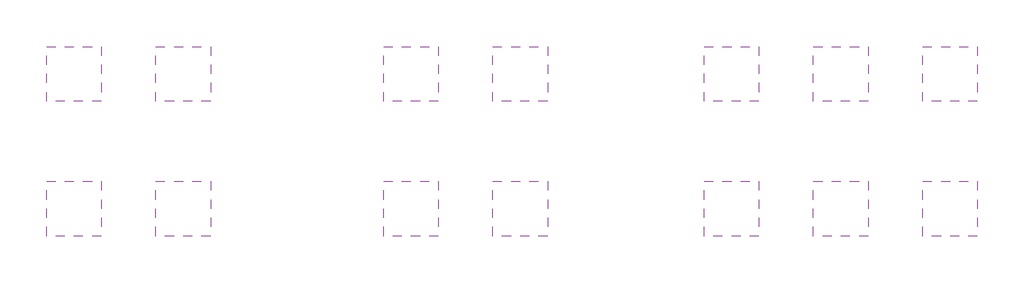
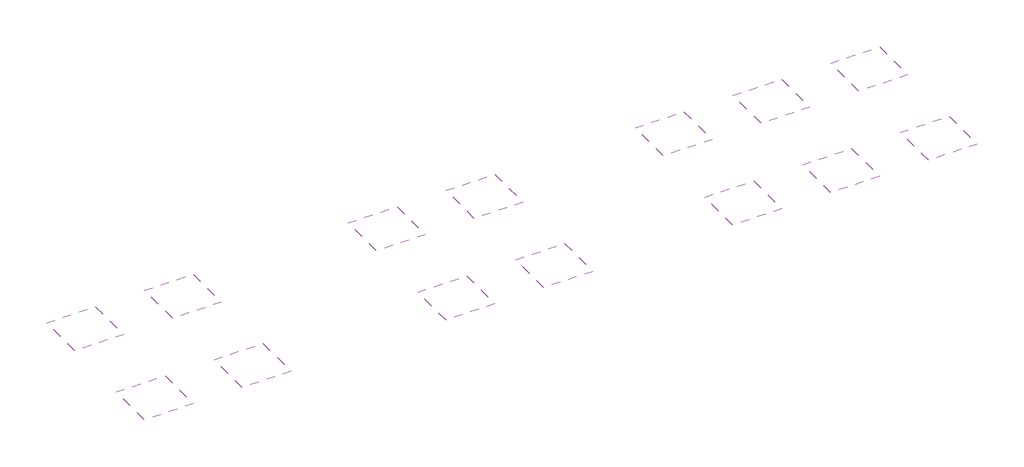
# One storey: 14 coverings.
"""IFC4 building model written with IfcOpenShell, lengths in millimetres."""

from ifc_helpers import new_model, si_unit, frame, origin, place, context, project, spatial, polyline, outline, extrude, element, save

model = new_model("IFC4")

# Units and contexts
model_context = context("Model", 3, world=origin())
ifc_project = project(units=[si_unit("LENGTHUNIT", "METRE", prefix="MILLI")], contexts=[model_context])

# Site, building, storey
site = spatial("IfcSite", under=ifc_project)
building = spatial("IfcBuilding", under=site)
storey = spatial("IfcBuildingStorey", under=building, Elevation=0.0)

# Coverings
placement = place(None, origin())
element("IfcCovering", 1, at=placement, inside=storey, context=model_context, shape_type="SweptSolid", body=[
    extrude(outline(polyline([(25166.61808, -6308.6602166), (22166.61808, -6308.6602166), (22166.61808, -3308.6602166), (25166.61808, -3308.6602166), (25166.61808, -6308.6602166)])), frame((0.0, 0.0, 2600.0), z_axis=(0.0, 0.0, 1.0), x_axis=(1.0, 0.0, 0.0)), (0.0, 0.0, 1.0), 20.0),
])
element("IfcCovering", 2, at=placement, inside=storey, context=model_context, shape_type="SweptSolid", body=[
    extrude(outline(polyline([(25166.61808, 1091.3397834), (22166.61808, 1091.3397834), (22166.61808, 4091.3397834), (25166.61808, 4091.3397834), (25166.61808, 1091.3397834)])), frame((0.0, 0.0, 2600.0), z_axis=(0.0, 0.0, 1.0), x_axis=(1.0, 0.0, 0.0)), (0.0, 0.0, 1.0), 20.0),
])
element("IfcCovering", 3, at=placement, inside=storey, context=model_context, shape_type="SweptSolid", body=[
    extrude(outline(polyline([(19166.61808, -6308.6602166), (16166.61808, -6308.6602166), (16166.61808, -3308.6602166), (19166.61808, -3308.6602166), (19166.61808, -6308.6602166)])), frame((0.0, 0.0, 2600.0), z_axis=(0.0, 0.0, 1.0), x_axis=(1.0, 0.0, 0.0)), (0.0, 0.0, 1.0), 15.0),
])
element("IfcCovering", 4, at=placement, inside=storey, context=model_context, shape_type="SweptSolid", body=[
    extrude(outline(polyline([(19166.61808, 1091.3397834), (16166.61808, 1091.3397834), (16166.61808, 4091.3397834), (19166.61808, 4091.3397834), (19166.61808, 1091.3397834)])), frame((0.0, 0.0, 2600.0), z_axis=(0.0, 0.0, 1.0), x_axis=(1.0, 0.0, 0.0)), (0.0, 0.0, 1.0), 15.0),
])
element("IfcCovering", 5, at=placement, inside=storey, context=model_context, shape_type="SweptSolid", body=[
    extrude(outline(polyline([(13166.61808, -6308.6602166), (10166.61808, -6308.6602166), (10166.61808, -3308.6602166), (13166.61808, -3308.6602166), (13166.61808, -6308.6602166)])), frame((0.0, 0.0, 2600.0), z_axis=(0.0, 0.0, 1.0), x_axis=(1.0, 0.0, 0.0)), (0.0, 0.0, 1.0), 40.0),
])
element("IfcCovering", 6, at=placement, inside=storey, context=model_context, shape_type="SweptSolid", body=[
    extrude(outline(polyline([(13166.61808, 1091.3397834), (10166.61808, 1091.3397834), (10166.61808, 4091.3397834), (13166.61808, 4091.3397834), (13166.61808, 1091.3397834)])), frame((0.0, 0.0, 2600.0), z_axis=(0.0, 0.0, 1.0), x_axis=(1.0, 0.0, 0.0)), (0.0, 0.0, 1.0), 40.0),
])
element("IfcCovering", 7, at=placement, inside=storey, context=model_context, shape_type="SweptSolid", body=[
    extrude(outline(polyline([(1566.61808, -6308.6602166), (-1433.38192, -6308.6602166), (-1433.38192, -3308.6602166), (1566.61808, -3308.6602166), (1566.61808, -6308.6602166)])), frame((0.0, 0.0, 2600.0), z_axis=(0.0, 0.0, 1.0), x_axis=(1.0, 0.0, 0.0)), (0.0, 0.0, 1.0), 40.0),
])
element("IfcCovering", 8, at=placement, inside=storey, context=model_context, shape_type="SweptSolid", body=[
    extrude(outline(polyline([(1566.61808, 1091.3397834), (-1433.38192, 1091.3397834), (-1433.38192, 4091.3397834), (1566.61808, 4091.3397834), (1566.61808, 1091.3397834)])), frame((0.0, 0.0, 2600.0), z_axis=(0.0, 0.0, 1.0), x_axis=(1.0, 0.0, 0.0)), (0.0, 0.0, 1.0), 40.0),
])
element("IfcCovering", 9, at=placement, inside=storey, context=model_context, shape_type="SweptSolid", body=[
    extrude(outline(polyline([(-4433.38192, -6308.6602166), (-7433.38192, -6308.6602166), (-7433.38192, -3308.6602166), (-4433.38192, -3308.6602166), (-4433.38192, -6308.6602166)])), frame((0.0, 0.0, 2600.0), z_axis=(0.0, 0.0, 1.0), x_axis=(1.0, 0.0, 0.0)), (0.0, 0.0, 1.0), 15.0),
])
element("IfcCovering", 10, at=placement, inside=storey, context=model_context, shape_type="SweptSolid", body=[
    extrude(outline(polyline([(-4433.38192, 1091.3397834), (-7433.38192, 1091.3397834), (-7433.38192, 4091.3397834), (-4433.38192, 4091.3397834), (-4433.38192, 1091.3397834)])), frame((0.0, 0.0, 2600.0), z_axis=(0.0, 0.0, 1.0), x_axis=(1.0, 0.0, 0.0)), (0.0, 0.0, 1.0), 15.0),
])
element("IfcCovering", 11, at=placement, inside=storey, context=model_context, shape_type="SweptSolid", body=[
    extrude(outline(polyline([(-16933.38192, -6308.6602166), (-19933.38192, -6308.6602166), (-19933.38192, -3308.6602166), (-16933.38192, -3308.6602166), (-16933.38192, -6308.6602166)])), frame((0.0, 0.0, 2600.0), z_axis=(0.0, 0.0, 1.0), x_axis=(1.0, 0.0, 0.0)), (0.0, 0.0, 1.0), 20.0),
])
element("IfcCovering", 12, at=placement, inside=storey, context=model_context, shape_type="SweptSolid", body=[
    extrude(outline(polyline([(-16933.38192, 1091.3397834), (-19933.38192, 1091.3397834), (-19933.38192, 4091.3397834), (-16933.38192, 4091.3397834), (-16933.38192, 1091.3397834)])), frame((0.0, 0.0, 2600.0), z_axis=(0.0, 0.0, 1.0), x_axis=(1.0, 0.0, 0.0)), (0.0, 0.0, 1.0), 20.0),
])
element("IfcCovering", 13, at=placement, inside=storey, context=model_context, shape_type="SweptSolid", body=[
    extrude(outline(polyline([(-22933.38192, -6308.6602166), (-25933.38192, -6308.6602166), (-25933.38192, -3308.6602166), (-22933.38192, -3308.6602166), (-22933.38192, -6308.6602166)])), frame((0.0, 0.0, 2600.0), z_axis=(0.0, 0.0, 1.0), x_axis=(1.0, 0.0, 0.0)), (0.0, 0.0, 1.0), 20.0),
])
element("IfcCovering", 14, at=placement, inside=storey, context=model_context, shape_type="SweptSolid", body=[
    extrude(outline(polyline([(-22933.38192, 1091.3397834), (-25933.38192, 1091.3397834), (-25933.38192, 4091.3397834), (-22933.38192, 4091.3397834), (-22933.38192, 1091.3397834)])), frame((0.0, 0.0, 2600.0), z_axis=(0.0, 0.0, 1.0), x_axis=(1.0, 0.0, 0.0)), (0.0, 0.0, 1.0), 20.0),
])

save(model, "model.ifc")
